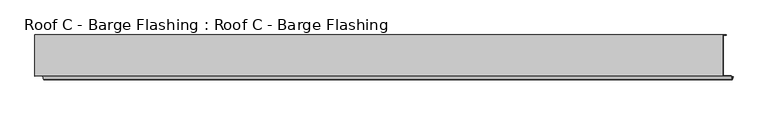
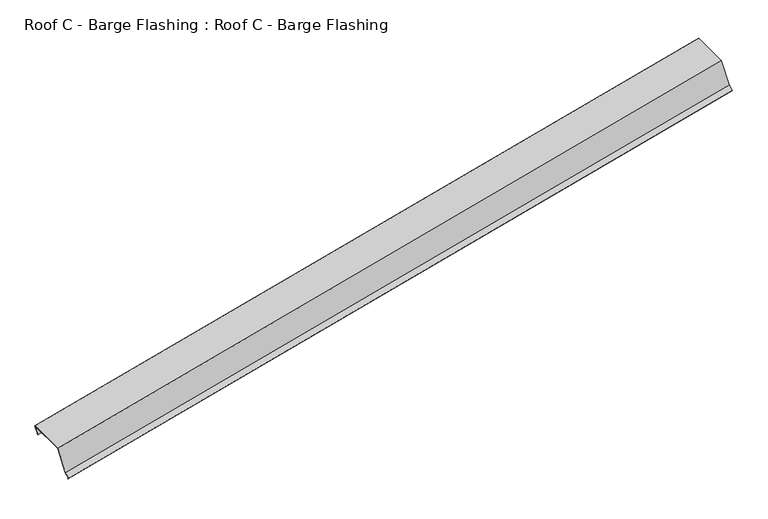
"""IFC4 building model written with IfcOpenShell, lengths in millimetres: proxy geometry, Roof C - Barge Flashing : Roof C - Barge Flashing."""

from ifc_helpers import new_model, si_unit, frame, origin, place, context, project, spatial, polyline, outline, extrude, source, transform, mapped, element, save


def roof_c_barge_flashing_roof_c_barge_flashing_b4dd8259(model_context):
    return source(origin(), model_context, "Body", "SweptSolid", [
        extrude(outline(polyline([(-127.4839668, -107.6029118), (-127.4839668, -67.6029118), (-126.4839668, -67.6029118), (-126.4839668, -106.6029118), (18.2657646, -106.6029118), (18.2657646, 2.8113018), (31.9936867, 16.5392239), (22.0941917, 26.4387188), (22.8012985, 27.1458256), (33.4079002, 16.5392239), (19.2657646, 2.3970882), (19.2657646, -107.6029118), (-127.4839668, -107.6029118)])), frame((4860.8669178, -2735.0, 3194.1221318), z_axis=(0.9659258262890684, 0.0, 0.2588190451025201), x_axis=(0.0, -1.0, 0.0)), (0.0, 0.0, 1.0), 2546.2367807),
    ])


if __name__ == "__main__":
    model = new_model("IFC4")
    model_context = context("Model", 3, world=origin())
    ifc_project = project(units=[si_unit("LENGTHUNIT", "METRE", prefix="MILLI")], contexts=[model_context])
    site = spatial("IfcSite", under=ifc_project)
    building = spatial("IfcBuilding", under=site)
    placement = place(None, origin())
    roof_c_barge_flashing_roof_c_barge_flashing_shape = roof_c_barge_flashing_roof_c_barge_flashing_b4dd8259(model_context)
    element("IfcBuildingElementProxy", 1, Name="Roof C - Barge Flashing : Roof C - Barge Flashing", ObjectType="Roof C - Barge Flashing : Roof C - Barge Flashing", at=placement, inside=building, context=model_context, shape_type="MappedRepresentation", body=[
        mapped(roof_c_barge_flashing_roof_c_barge_flashing_shape, transform((0.0, 0.0, 0.0), x_axis=(1.0, 0.0, 0.0), y_axis=(0.0, 1.0, 0.0), z_axis=(0.0, 0.0, 1.0))),
    ])
    save(model, "model.ifc")
